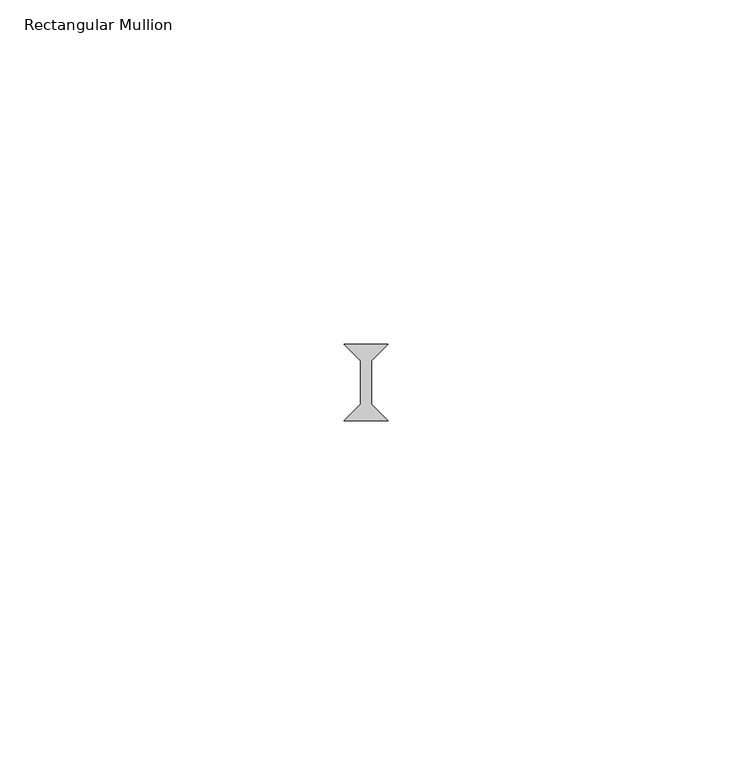
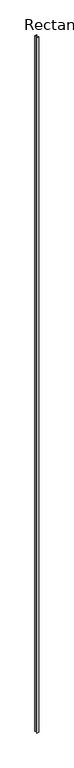
"""IFC4 building model written with IfcOpenShell, lengths in millimetres: member geometry, Rectangular Mullion."""

from ifc_helpers import new_model, si_unit, frame, origin, place, context, project, spatial, polyline, outline, extrude, source, transform, mapped, element, save


def rectangular_mullion_f970ed65(model_context):
    return source(origin(), model_context, "Body", "SweptSolid", [
        extrude(outline(polyline([(3.175, -35.71875), (-3.175, -35.71875), (-0.79375, -33.3375), (-0.79375, -26.9875), (-3.175, -24.60625), (3.175, -24.60625), (0.79375, -26.9875), (0.79375, -33.3375), (3.175, -35.71875)])), frame((0.0, 0.0, -2359.025), z_axis=(0.0, 0.0, 1.0), x_axis=(1.0, 0.0, 0.0)), (0.0, 0.0, 1.0), 2359.025),
    ])


if __name__ == "__main__":
    model = new_model("IFC4")
    model_context = context("Model", 3, world=origin())
    ifc_project = project(units=[si_unit("LENGTHUNIT", "METRE", prefix="MILLI")], contexts=[model_context])
    site = spatial("IfcSite", under=ifc_project)
    building = spatial("IfcBuilding", under=site)
    placement = place(None, origin())
    rectangular_mullion_shape = rectangular_mullion_f970ed65(model_context)
    element("IfcMember", 1, ObjectType="Rectangular Mullion", at=placement, inside=building, context=model_context, shape_type="MappedRepresentation", body=[
        mapped(rectangular_mullion_shape, transform((0.0, 0.0, 0.0), x_axis=(1.0, 0.0, 0.0), y_axis=(0.0, 1.0, 0.0), z_axis=(0.0, 0.0, 1.0))),
    ])
    save(model, "model.ifc")
